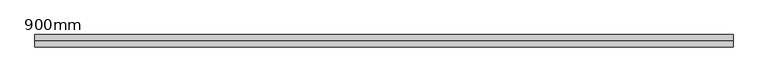
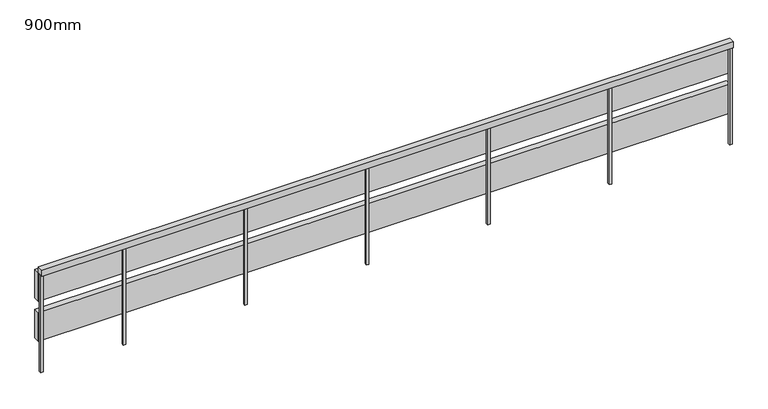
"""IFC4 building model written with IfcOpenShell, lengths in millimetres: railing geometry, 900mm."""

import ifcopenshell
import ifcopenshell.guid

model = None  # the IFC model being written
_history = None  # IfcOwnerHistory: only IFC2X3 demands one
_inside = {}  # id of a spatial element -> (the spatial element, [elements in it])
_under = {}  # id of a project, library or spatial element -> (it, [spatial elements below it])
_declared = {}  # id of a project -> (the project, [libraries it declares])
_typed = {}  # id of a type object -> (the type object, [elements of that type])
_made_of = {}  # id of a material, layer set ... -> (it, [elements and type objects made of it])


def new_model(schema):
    """Start an empty IFC model of exactly this schema.

    Asked for "IFC4X3", IfcOpenShell would pick the latest addendum, in which some entities
    have other attributes; the version numbers below select the first issue.
    IFC2X3 requires an IfcOwnerHistory on every rooted entity: one is made here for all.
    """
    global model, _history
    if schema == "IFC4X3":
        model = ifcopenshell.file(schema_version=(4, 3, 0, 0))
    else:
        model = ifcopenshell.file(schema=schema)
    _inside.clear()
    _under.clear()
    _declared.clear()
    _typed.clear()
    _made_of.clear()
    _history = None
    if model.schema == "IFC2X3":
        org = make("IfcOrganization", Name="unknown")
        user = make(
            "IfcPersonAndOrganization",
            ThePerson=make("IfcPerson", FamilyName="unknown"),
            TheOrganization=org,
        )
        app = make(
            "IfcApplication",
            ApplicationDeveloper=org,
            Version="unknown",
            ApplicationFullName="unknown",
            ApplicationIdentifier="unknown",
        )
        _history = make(
            "IfcOwnerHistory",
            OwningUser=user,
            OwningApplication=app,
            ChangeAction="ADDED",
            CreationDate=0,
        )
    return model


def make(cls, **values):
    """One entity of the class cls with the attributes given. An attribute that is None is left unset."""
    return model.create_entity(
        cls, **{name: value for name, value in values.items() if value is not None}
    )


def rooted(cls, **values):
    """An entity with a GlobalId (a new one), such as an element, a storey or a relation."""
    return make(cls, GlobalId=ifcopenshell.guid.new(), OwnerHistory=_history, **values)


def si_unit(unit_type, name, prefix=None):
    """IfcSIUnit, for example si_unit("LENGTHUNIT", "METRE", prefix="MILLI")."""
    return make("IfcSIUnit", UnitType=unit_type, Prefix=prefix, Name=name)


def assignment(units):
    """IfcUnitAssignment: the units of a project."""
    return None if units is None else make("IfcUnitAssignment", Units=units)


def point(xyz):
    """IfcCartesianPoint."""
    return None if xyz is None else make("IfcCartesianPoint", Coordinates=xyz)


def direction(xyz):
    """IfcDirection."""
    return None if xyz is None else make("IfcDirection", DirectionRatios=xyz)


def frame(location, z_axis=None, x_axis=None):
    """IfcAxis2Placement3D, a coordinate frame: its origin and axes. An axis left out is left unset."""
    return make(
        "IfcAxis2Placement3D",
        Location=point(location),
        Axis=direction(z_axis),
        RefDirection=direction(x_axis),
    )


def origin():
    """The frame at (0, 0, 0) with its axes left unset."""
    return frame((0.0, 0.0, 0.0))


def place(relative_to, where):
    """IfcLocalPlacement: puts the frame where relative to a parent placement (None: the world)."""
    return make(
        "IfcLocalPlacement", PlacementRelTo=relative_to, RelativePlacement=where
    )


def context(
    kind, dimensions, precision=None, world=None, true_north=None, identifier=None
):
    """IfcGeometricRepresentationContext, for example the 3D "Model" context."""
    return make(
        "IfcGeometricRepresentationContext",
        ContextIdentifier=identifier,
        ContextType=kind,
        CoordinateSpaceDimension=dimensions,
        Precision=precision,
        WorldCoordinateSystem=world,
        TrueNorth=true_north,
    )


def project(units=None, contexts=None):
    """IfcProject with its units and contexts."""
    return rooted(
        "IfcProject",
        Name="project",
        RepresentationContexts=contexts,
        UnitsInContext=assignment(units),
    )


def spatial(cls, under=None, at=None, **own):
    """A site, building, storey or space (cls), placed at a placement, below another one or the project."""
    s = rooted(cls, ObjectPlacement=at, **own)
    if under is not None:
        _under.setdefault(under.id(), (under, []))[1].append(s)
    return s


def polyline(points):
    """IfcPolyline through the points."""
    return make("IfcPolyline", Points=[point(p) for p in points])


def outline(outer, holes=None, kind="AREA"):
    """IfcArbitraryClosedProfileDef: a profile drawn as a closed curve; with holes, ...WithVoids."""
    if holes is None:
        return make("IfcArbitraryClosedProfileDef", ProfileType=kind, OuterCurve=outer)
    return make(
        "IfcArbitraryProfileDefWithVoids",
        ProfileType=kind,
        OuterCurve=outer,
        InnerCurves=holes,
    )


def extrude(swept, where, along, depth):
    """IfcExtrudedAreaSolid: the profile swept, set in the frame where, extruded along a direction by depth."""
    return make(
        "IfcExtrudedAreaSolid",
        SweptArea=swept,
        Position=where,
        ExtrudedDirection=direction(along),
        Depth=depth,
    )


def shape(context_of_items, identifier, shape_type, items):
    """IfcShapeRepresentation: the items that make up one representation, for example the "Body"."""
    return make(
        "IfcShapeRepresentation",
        ContextOfItems=context_of_items,
        RepresentationIdentifier=identifier,
        RepresentationType=shape_type,
        Items=items,
    )


def source(mapping_origin, context_of_items, identifier, shape_type, items):
    """IfcRepresentationMap: a shape defined once, which mapped items show again and again."""
    return make(
        "IfcRepresentationMap",
        MappingOrigin=mapping_origin,
        MappedRepresentation=shape(context_of_items, identifier, shape_type, items),
    )


def transform(
    local_origin,
    x_axis=None,
    y_axis=None,
    z_axis=None,
    scale=None,
    scale2=None,
    scale3=None,
    uniform=True,
):
    """IfcCartesianTransformationOperator3D, or its non-uniform kind. x_axis, y_axis, z_axis: its Axis1, 2, 3."""
    if uniform:
        return make(
            "IfcCartesianTransformationOperator3D",
            Axis1=direction(x_axis),
            Axis2=direction(y_axis),
            LocalOrigin=point(local_origin),
            Scale=scale,
            Axis3=direction(z_axis),
        )
    return make(
        "IfcCartesianTransformationOperator3DnonUniform",
        Axis1=direction(x_axis),
        Axis2=direction(y_axis),
        LocalOrigin=point(local_origin),
        Scale=scale,
        Axis3=direction(z_axis),
        Scale2=scale2,
        Scale3=scale3,
    )


def mapped(mapping_source, mapping_target):
    """IfcMappedItem: shows the shape of a source again, moved by a transform."""
    return make(
        "IfcMappedItem", MappingSource=mapping_source, MappingTarget=mapping_target
    )


def made_of(thing, what):
    """Note that an element or type object is made of a material, layer set ...; save() writes the relation."""
    if what is not None:
        _made_of.setdefault(what.id(), (what, []))[1].append(thing)
    return thing


def element(
    cls,
    number,
    at=None,
    inside=None,
    cuts=None,
    type_object=None,
    material=None,
    context=None,
    identifier="Body",
    shape_type=None,
    held_by="IfcProductDefinitionShape",
    body=None,
    shapes=None,
    **own,
):
    """One element of the class cls, such as IfcWall. Its Tag is "e" and its number.

    at: its placement. inside: the storey or other place that contains it. cuts: it is an
    opening in that element (IfcRelVoidsElement). A single representation is given by context,
    identifier, shape_type and body (its items); several are given by shapes. held_by: the class
    of the entity that holds the representations. save() writes the other relations.
    """
    e = rooted(cls, Tag="e%d" % number, ObjectPlacement=at, **own)
    if body is not None:
        shapes = [shape(context, identifier, shape_type, body)]
    if shapes is not None:
        e.Representation = make(held_by, Representations=shapes)
    if inside is not None:
        _inside.setdefault(inside.id(), (inside, []))[1].append(e)
    if cuts is not None:
        rooted(
            "IfcRelVoidsElement", RelatingBuildingElement=cuts, RelatedOpeningElement=e
        )
    if type_object is not None:
        _typed.setdefault(type_object.id(), (type_object, []))[1].append(e)
    return made_of(e, material)


def aggregate(whole, parts):
    """IfcRelAggregates: a whole, such as a stair, and the parts it consists of."""
    return rooted("IfcRelAggregates", RelatingObject=whole, RelatedObjects=parts)


def save(model, path):
    """Write the relations noted so far, then the file.

    IfcRelAggregates (storeys below a building ...), IfcRelContainedInSpatialStructure (elements
    in a storey), IfcRelDefinesByType, IfcRelAssociatesMaterial and IfcRelDeclares: one each for
    every whole, place, type object, material and project.
    """
    for whole, parts in _under.values():
        aggregate(whole, parts)
    for where, things in _inside.values():
        rooted(
            "IfcRelContainedInSpatialStructure",
            RelatedElements=things,
            RelatingStructure=where,
        )
    for kind, things in _typed.values():
        rooted("IfcRelDefinesByType", RelatedObjects=things, RelatingType=kind)
    for what, things in _made_of.values():
        rooted("IfcRelAssociatesMaterial", RelatedObjects=things, RelatingMaterial=what)
    for by, libraries in _declared.values():
        rooted("IfcRelDeclares", RelatingContext=by, RelatedDefinitions=libraries)
    model.write(path)


def railing_900mm_c8d18c62(model_context):
    return source(origin(), model_context, "Body", "SweptSolid", [
        extrude(outline(polyline([(1231.4990812, 14945.0788907), (1231.4990812, 14895.0788907), (-4458.5009188, 14895.0788907), (-4458.5009188, 14945.0788907), (1231.4990812, 14945.0788907)])), frame((0.0, 0.0, 4150.0), z_axis=(0.0, 0.0, 1.0), x_axis=(1.0, 0.0, 0.0)), (0.0, 0.0, 1.0), 50.0),
        extrude(outline(polyline([(1231.4990812, 14995.0788907), (1231.4990812, 14945.0788907), (-4458.5009188, 14945.0788907), (-4458.5009188, 14995.0788907), (1231.4990812, 14995.0788907)])), frame((0.0, 0.0, 3900.0), z_axis=(0.0, 0.0, 1.0), x_axis=(1.0, 0.0, 0.0)), (0.0, 0.0, 1.0), 250.0),
        extrude(outline(polyline([(1231.4990812, 14995.0788907), (1231.4990812, 14945.0788907), (-4458.5009188, 14945.0788907), (-4458.5009188, 14995.0788907), (1231.4990812, 14995.0788907)])), frame((0.0, 0.0, 3550.0), z_axis=(0.0, 0.0, 1.0), x_axis=(1.0, 0.0, 0.0)), (0.0, 0.0, 1.0), 250.0),
        extrude(outline(polyline([(-3758.5009188, 14910.0788907), (-3778.5009188, 14910.0788907), (-3778.5009188, 14930.0788907), (-3758.5009188, 14930.0788907), (-3758.5009188, 14910.0788907)])), frame((0.0, 0.0, 3300.0), z_axis=(0.0, 0.0, 1.0), x_axis=(1.0, 0.0, 0.0)), (0.0, 0.0, 1.0), 850.0),
        extrude(outline(polyline([(-2758.5009188, 14910.0788907), (-2778.5009188, 14910.0788907), (-2778.5009188, 14930.0788907), (-2758.5009188, 14930.0788907), (-2758.5009188, 14910.0788907)])), frame((0.0, 0.0, 3300.0), z_axis=(0.0, 0.0, 1.0), x_axis=(1.0, 0.0, 0.0)), (0.0, 0.0, 1.0), 850.0),
        extrude(outline(polyline([(-1758.5009188, 14910.0788907), (-1778.5009188, 14910.0788907), (-1778.5009188, 14930.0788907), (-1758.5009188, 14930.0788907), (-1758.5009188, 14910.0788907)])), frame((0.0, 0.0, 3300.0), z_axis=(0.0, 0.0, 1.0), x_axis=(1.0, 0.0, 0.0)), (0.0, 0.0, 1.0), 850.0),
        extrude(outline(polyline([(-758.5009188, 14910.0788907), (-778.5009188, 14910.0788907), (-778.5009188, 14930.0788907), (-758.5009188, 14930.0788907), (-758.5009188, 14910.0788907)])), frame((0.0, 0.0, 3300.0), z_axis=(0.0, 0.0, 1.0), x_axis=(1.0, 0.0, 0.0)), (0.0, 0.0, 1.0), 850.0),
        extrude(outline(polyline([(241.4990812, 14910.0788907), (221.4990812, 14910.0788907), (221.4990812, 14930.0788907), (241.4990812, 14930.0788907), (241.4990812, 14910.0788907)])), frame((0.0, 0.0, 3300.0), z_axis=(0.0, 0.0, 1.0), x_axis=(1.0, 0.0, 0.0)), (0.0, 0.0, 1.0), 850.0),
        extrude(outline(polyline([(-4438.5009188, 14910.0788907), (-4458.5009188, 14910.0788907), (-4458.5009188, 14930.0788907), (-4438.5009188, 14930.0788907), (-4438.5009188, 14910.0788907)])), frame((0.0, 0.0, 3300.0), z_axis=(0.0, 0.0, 1.0), x_axis=(1.0, 0.0, 0.0)), (0.0, 0.0, 1.0), 850.0),
        extrude(outline(polyline([(1231.4990812, 14910.0788907), (1211.4990812, 14910.0788907), (1211.4990812, 14930.0788907), (1231.4990812, 14930.0788907), (1231.4990812, 14910.0788907)])), frame((0.0, 0.0, 3300.0), z_axis=(0.0, 0.0, 1.0), x_axis=(1.0, 0.0, 0.0)), (0.0, 0.0, 1.0), 850.0),
    ])


if __name__ == "__main__":
    model = new_model("IFC4")
    model_context = context("Model", 3, world=origin())
    ifc_project = project(units=[si_unit("LENGTHUNIT", "METRE", prefix="MILLI")], contexts=[model_context])
    site = spatial("IfcSite", under=ifc_project)
    building = spatial("IfcBuilding", under=site)
    placement = place(None, origin())
    railing_900mm_shape = railing_900mm_c8d18c62(model_context)
    element("IfcRailing", 1, ObjectType="900mm", at=placement, inside=building, context=model_context, shape_type="MappedRepresentation", body=[
        mapped(railing_900mm_shape, transform((0.0, 0.0, 0.0), x_axis=(1.0, 0.0, 0.0), y_axis=(0.0, 1.0, 0.0), z_axis=(0.0, 0.0, 1.0))),
    ])
    save(model, "model.ifc")
